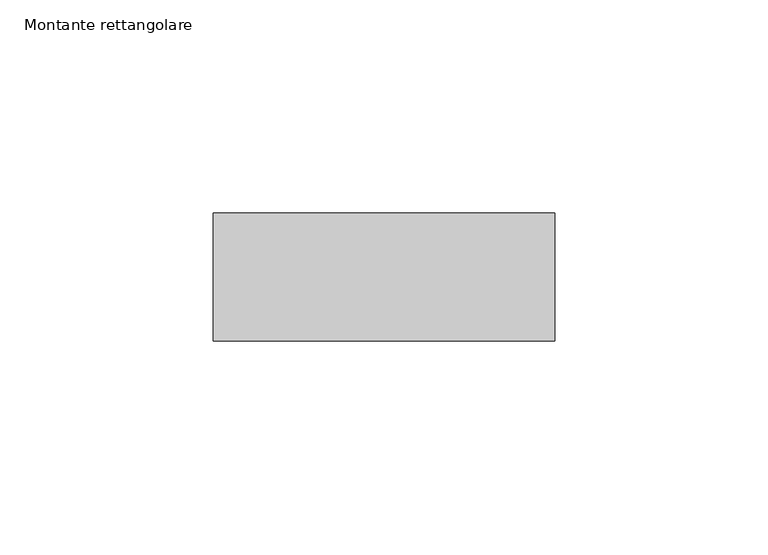
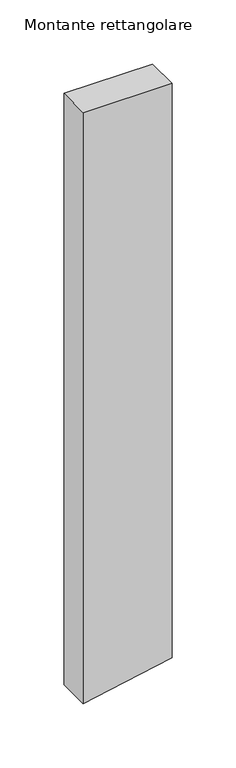
"""IFC4 building model written with IfcOpenShell, lengths in millimetres: member geometry, Montante rettangolare."""

from ifc_helpers import new_model, si_unit, frame, origin, place, context, project, spatial, polyline, outline, extrude, source, transform, mapped, element, save


def montante_rettangolare_a999e1f5(model_context):
    return source(origin(), model_context, "Body", "SweptSolid", [
        extrude(outline(polyline([(0.0, 40.0), (0.0, -40.0), (-563.2419187, -40.0), (-558.5308259, -15.5039529), (-547.2760723, 40.0), (0.0, 40.0)])), frame((0.0, -15.0, 0.0), z_axis=(0.0, 1.0, 0.0), x_axis=(0.0, 0.0, 1.0)), (0.0, 0.0, 1.0), 30.0),
    ])


if __name__ == "__main__":
    model = new_model("IFC4")
    model_context = context("Model", 3, world=origin())
    ifc_project = project(units=[si_unit("LENGTHUNIT", "METRE", prefix="MILLI")], contexts=[model_context])
    site = spatial("IfcSite", under=ifc_project)
    building = spatial("IfcBuilding", under=site)
    placement = place(None, origin())
    montante_rettangolare_shape = montante_rettangolare_a999e1f5(model_context)
    element("IfcMember", 1, ObjectType="Montante rettangolare", at=placement, inside=building, context=model_context, shape_type="MappedRepresentation", body=[
        mapped(montante_rettangolare_shape, transform((0.0, 0.0, 0.0), x_axis=(1.0, 0.0, 0.0), y_axis=(0.0, 1.0, 0.0), z_axis=(0.0, 0.0, 1.0))),
    ])
    save(model, "model.ifc")
